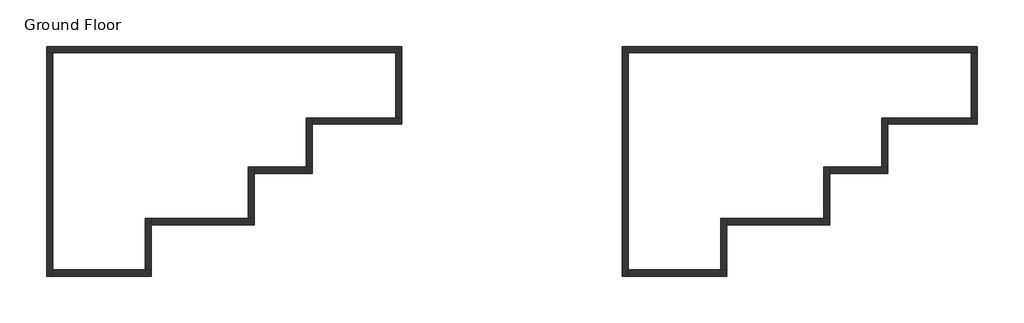
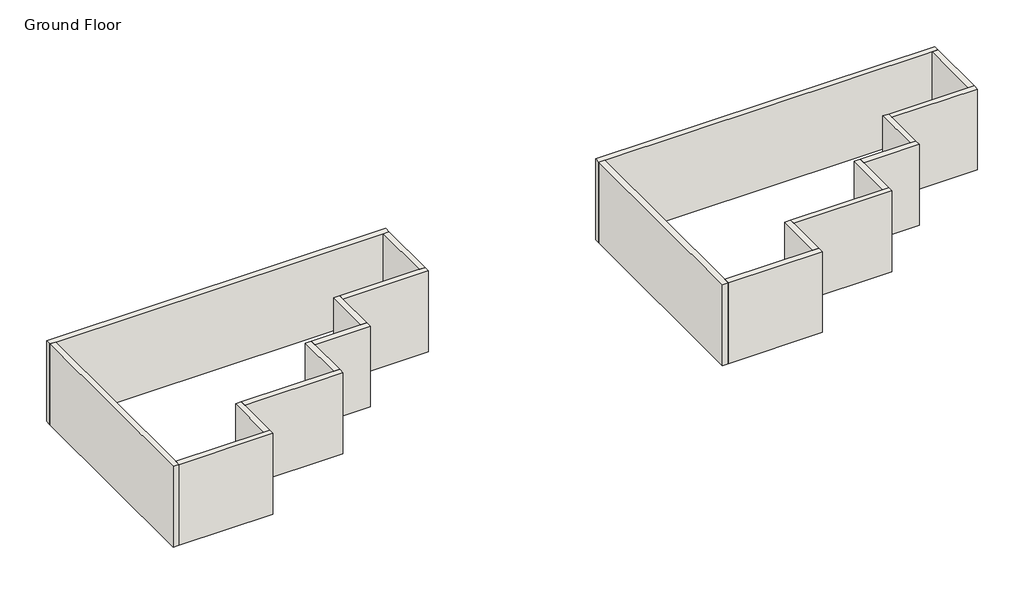
# One storey: 20 walls.
"""IFC4 building model written with IfcOpenShell, lengths in millimetres."""

from ifc_helpers import new_model, si_unit, origin, origin_with_axes, place, context, project, spatial, polyline, outline, extrude, faceted_brep, element, save

model = new_model("IFC4")

# Units and contexts
model_context = context("Model", 3, world=origin())
ifc_project = project(units=[si_unit("LENGTHUNIT", "METRE", prefix="MILLI")], contexts=[model_context])

# Site, building, storey
site = spatial("IfcSite", under=ifc_project)
building = spatial("IfcBuilding", under=site)
storey = spatial("IfcBuildingStorey", under=building, Name="Ground Floor", Elevation=0.0)

# Walls
placement = place(None, origin())
element("IfcWall", 1, ObjectType="Double brick - 270", at=placement, inside=storey, context=model_context, shape_type="Brep", body=[
    faceted_brep([(6387.1129575, 3417.6035956, 0.0), (-9482.8870425, 3417.6035956, 0.0), (-9482.8870425, 3417.6035956, 4000.0), (6387.1129575, 3417.6035956, 4000.0), (6387.1129575, 3147.6035956, 0.0), (6387.1129575, 3147.6035956, 4000.0), (6117.1129575, 3147.6035956, 4000.0), (-9212.8870425, 3147.6035956, 4000.0), (-9482.8870425, 3147.6035956, 4000.0), (-9482.8870425, 3147.6035956, 0.0), (-9212.8870425, 3147.6035956, 0.0), (6117.1129575, 3147.6035956, 0.0)], [[[0, 1, 2, 3]], [[4, 5, 6, 7, 8, 9, 10, 11]], [[1, 0, 4, 11, 10, 9]], [[3, 2, 8, 7, 6, 5]], [[2, 1, 9, 8]], [[0, 3, 5, 4]]]),
])
element("IfcWall", 2, ObjectType="Double brick - 270", at=placement, inside=storey, context=model_context, shape_type="Brep", body=[
    faceted_brep([(-9482.8870425, 3147.6035956, 0.0), (-9482.8870425, -6852.3964044, 0.0), (-9482.8870425, -6852.3964044, 4000.0), (-9482.8870425, 3147.6035956, 4000.0), (-9212.8870425, 3147.6035956, 0.0), (-9212.8870425, 3147.6035956, 4000.0), (-9212.8870425, -6582.3964044, 4000.0), (-9212.8870425, -6852.3964044, 4000.0), (-9212.8870425, -6852.3964044, 0.0), (-9212.8870425, -6582.3964044, 0.0)], [[[0, 1, 2, 3]], [[4, 5, 6, 7, 8, 9]], [[1, 0, 4, 9, 8]], [[3, 2, 7, 6, 5]], [[0, 3, 5, 4]], [[2, 1, 8, 7]]]),
])
element("IfcWall", 3, ObjectType="Double brick - 270", at=placement, inside=storey, context=model_context, shape_type="Brep", body=[
    faceted_brep([(-9212.8870425, -6852.3964044, 0.0), (-4812.8870425, -6852.3964044, 0.0), (-4812.8870425, -6852.3964044, 4000.0), (-9212.8870425, -6852.3964044, 4000.0), (-9212.8870425, -6582.3964044, 0.0), (-9212.8870425, -6582.3964044, 4000.0), (-5082.8870425, -6582.3964044, 4000.0), (-4812.8870425, -6582.3964044, 4000.0), (-4812.8870425, -6582.3964044, 0.0), (-5082.8870425, -6582.3964044, 0.0)], [[[0, 1, 2, 3]], [[4, 5, 6, 7, 8, 9]], [[1, 0, 4, 9, 8]], [[3, 2, 7, 6, 5]], [[0, 3, 5, 4]], [[2, 1, 8, 7]]]),
])
element("IfcWall", 4, ObjectType="Double brick - 270", at=placement, inside=storey, context=model_context, shape_type="Brep", body=[
    faceted_brep([(-4812.8870425, -6582.3964044, 0.0), (-4812.8870425, -4552.3964044, 0.0), (-4812.8870425, -4282.3964044, 0.0), (-4812.8870425, -4282.3964044, 4000.0), (-4812.8870425, -4552.3964044, 4000.0), (-4812.8870425, -6582.3964044, 4000.0), (-5082.8870425, -6582.3964044, 0.0), (-5082.8870425, -6582.3964044, 4000.0), (-5082.8870425, -4282.3964044, 4000.0), (-5082.8870425, -4282.3964044, 0.0)], [[[0, 1, 2, 3, 4, 5]], [[6, 7, 8, 9]], [[2, 1, 0, 6, 9]], [[5, 4, 3, 8, 7]], [[0, 5, 7, 6]], [[3, 2, 9, 8]]]),
])
element("IfcWall", 5, ObjectType="Double brick - 270", at=placement, inside=storey, context=model_context, shape_type="Brep", body=[
    faceted_brep([(-4812.8870425, -4552.3964044, 0.0), (-212.8870425, -4552.3964044, 0.0), (-212.8870425, -4552.3964044, 4000.0), (-4812.8870425, -4552.3964044, 4000.0), (-4812.8870425, -4282.3964044, 0.0), (-4812.8870425, -4282.3964044, 4000.0), (-482.8870425, -4282.3964044, 4000.0), (-212.8870425, -4282.3964044, 4000.0), (-212.8870425, -4282.3964044, 0.0), (-482.8870425, -4282.3964044, 0.0)], [[[0, 1, 2, 3]], [[4, 5, 6, 7, 8, 9]], [[1, 0, 4, 9, 8]], [[3, 2, 7, 6, 5]], [[0, 3, 5, 4]], [[2, 1, 8, 7]]]),
])
element("IfcWall", 6, ObjectType="Double brick - 270", at=placement, inside=storey, context=model_context, shape_type="Brep", body=[
    faceted_brep([(-212.8870425, -4282.3964044, 0.0), (-212.8870425, -2252.3964044, 0.0), (-212.8870425, -1982.3964044, 0.0), (-212.8870425, -1982.3964044, 4000.0), (-212.8870425, -2252.3964044, 4000.0), (-212.8870425, -4282.3964044, 4000.0), (-482.8870425, -4282.3964044, 0.0), (-482.8870425, -4282.3964044, 4000.0), (-482.8870425, -1982.3964044, 4000.0), (-482.8870425, -1982.3964044, 0.0)], [[[0, 1, 2, 3, 4, 5]], [[6, 7, 8, 9]], [[2, 1, 0, 6, 9]], [[5, 4, 3, 8, 7]], [[0, 5, 7, 6]], [[3, 2, 9, 8]]]),
])
element("IfcWall", 7, ObjectType="Double brick - 270", at=placement, inside=storey, context=model_context, shape_type="Brep", body=[
    faceted_brep([(-212.8870425, -2252.3964044, 0.0), (2387.1129575, -2252.3964044, 0.0), (2387.1129575, -2252.3964044, 4000.0), (-212.8870425, -2252.3964044, 4000.0), (-212.8870425, -1982.3964044, 0.0), (-212.8870425, -1982.3964044, 4000.0), (2117.1129575, -1982.3964044, 4000.0), (2387.1129575, -1982.3964044, 4000.0), (2387.1129575, -1982.3964044, 0.0), (2117.1129575, -1982.3964044, 0.0)], [[[0, 1, 2, 3]], [[4, 5, 6, 7, 8, 9]], [[1, 0, 4, 9, 8]], [[3, 2, 7, 6, 5]], [[0, 3, 5, 4]], [[2, 1, 8, 7]]]),
])
element("IfcWall", 8, ObjectType="Double brick - 270", at=placement, inside=storey, context=model_context, shape_type="Brep", body=[
    faceted_brep([(2387.1129575, -1982.3964044, 0.0), (2387.1129575, -52.3964044, 0.0), (2387.1129575, 217.6035956, 0.0), (2387.1129575, 217.6035956, 4000.0), (2387.1129575, -52.3964044, 4000.0), (2387.1129575, -1982.3964044, 4000.0), (2117.1129575, -1982.3964044, 0.0), (2117.1129575, -1982.3964044, 4000.0), (2117.1129575, 217.6035956, 4000.0), (2117.1129575, 217.6035956, 0.0)], [[[0, 1, 2, 3, 4, 5]], [[6, 7, 8, 9]], [[2, 1, 0, 6, 9]], [[5, 4, 3, 8, 7]], [[0, 5, 7, 6]], [[3, 2, 9, 8]]]),
])
element("IfcWall", 9, ObjectType="Double brick - 270", at=placement, inside=storey, context=model_context, shape_type="Brep", body=[
    faceted_brep([(2387.1129575, -52.3964044, 0.0), (6387.1129575, -52.3964044, 0.0), (6387.1129575, -52.3964044, 4000.0), (2387.1129575, -52.3964044, 4000.0), (2387.1129575, 217.6035956, 0.0), (2387.1129575, 217.6035956, 4000.0), (6117.1129575, 217.6035956, 4000.0), (6387.1129575, 217.6035956, 4000.0), (6387.1129575, 217.6035956, 0.0), (6117.1129575, 217.6035956, 0.0)], [[[0, 1, 2, 3]], [[4, 5, 6, 7, 8, 9]], [[1, 0, 4, 9, 8]], [[3, 2, 7, 6, 5]], [[0, 3, 5, 4]], [[2, 1, 8, 7]]]),
])
element("IfcWall", 10, ObjectType="Double brick - 270", at=placement, inside=storey, context=model_context, shape_type="SweptSolid", body=[
    extrude(outline(polyline([(6387.1129575, 3147.6035956), (6387.1129575, 217.6035956), (6117.1129575, 217.6035956), (6117.1129575, 3147.6035956), (6387.1129575, 3147.6035956)])), origin_with_axes(), (0.0, 0.0, 1.0), 4000.0),
])
element("IfcWall", 11, ObjectType="Double brick - 270", at=placement, inside=storey, context=model_context, shape_type="Brep", body=[
    faceted_brep([(32087.1129575, 3417.6035956, 0.0), (16217.1129575, 3417.6035956, 0.0), (16217.1129575, 3417.6035956, 4000.0), (32087.1129575, 3417.6035956, 4000.0), (32087.1129575, 3147.6035956, 0.0), (32087.1129575, 3147.6035956, 4000.0), (31817.1129575, 3147.6035956, 4000.0), (16487.1129575, 3147.6035956, 4000.0), (16217.1129575, 3147.6035956, 4000.0), (16217.1129575, 3147.6035956, 0.0), (16487.1129575, 3147.6035956, 0.0), (31817.1129575, 3147.6035956, 0.0)], [[[0, 1, 2, 3]], [[4, 5, 6, 7, 8, 9, 10, 11]], [[1, 0, 4, 11, 10, 9]], [[3, 2, 8, 7, 6, 5]], [[2, 1, 9, 8]], [[0, 3, 5, 4]]]),
])
element("IfcWall", 12, ObjectType="Double brick - 270", at=placement, inside=storey, context=model_context, shape_type="Brep", body=[
    faceted_brep([(16217.1129575, 3147.6035956, 0.0), (16217.1129575, -6852.3964044, 0.0), (16217.1129575, -6852.3964044, 4000.0), (16217.1129575, 3147.6035956, 4000.0), (16487.1129575, 3147.6035956, 0.0), (16487.1129575, 3147.6035956, 4000.0), (16487.1129575, -6582.3964044, 4000.0), (16487.1129575, -6852.3964044, 4000.0), (16487.1129575, -6852.3964044, 0.0), (16487.1129575, -6582.3964044, 0.0)], [[[0, 1, 2, 3]], [[4, 5, 6, 7, 8, 9]], [[1, 0, 4, 9, 8]], [[3, 2, 7, 6, 5]], [[0, 3, 5, 4]], [[2, 1, 8, 7]]]),
])
element("IfcWall", 13, ObjectType="Double brick - 270", at=placement, inside=storey, context=model_context, shape_type="Brep", body=[
    faceted_brep([(16487.1129575, -6852.3964044, 0.0), (20887.1129575, -6852.3964044, 0.0), (20887.1129575, -6852.3964044, 4000.0), (16487.1129575, -6852.3964044, 4000.0), (16487.1129575, -6582.3964044, 0.0), (16487.1129575, -6582.3964044, 4000.0), (20617.1129575, -6582.3964044, 4000.0), (20887.1129575, -6582.3964044, 4000.0), (20887.1129575, -6582.3964044, 0.0), (20617.1129575, -6582.3964044, 0.0)], [[[0, 1, 2, 3]], [[4, 5, 6, 7, 8, 9]], [[1, 0, 4, 9, 8]], [[3, 2, 7, 6, 5]], [[0, 3, 5, 4]], [[2, 1, 8, 7]]]),
])
element("IfcWall", 14, ObjectType="Double brick - 270", at=placement, inside=storey, context=model_context, shape_type="Brep", body=[
    faceted_brep([(20887.1129575, -6582.3964044, 0.0), (20887.1129575, -4552.3964044, 0.0), (20887.1129575, -4282.3964044, 0.0), (20887.1129575, -4282.3964044, 4000.0), (20887.1129575, -4552.3964044, 4000.0), (20887.1129575, -6582.3964044, 4000.0), (20617.1129575, -6582.3964044, 0.0), (20617.1129575, -6582.3964044, 4000.0), (20617.1129575, -4282.3964044, 4000.0), (20617.1129575, -4282.3964044, 0.0)], [[[0, 1, 2, 3, 4, 5]], [[6, 7, 8, 9]], [[2, 1, 0, 6, 9]], [[5, 4, 3, 8, 7]], [[0, 5, 7, 6]], [[3, 2, 9, 8]]]),
])
element("IfcWall", 15, ObjectType="Double brick - 270", at=placement, inside=storey, context=model_context, shape_type="Brep", body=[
    faceted_brep([(20887.1129575, -4552.3964044, 0.0), (25487.1129575, -4552.3964044, 0.0), (25487.1129575, -4552.3964044, 4000.0), (20887.1129575, -4552.3964044, 4000.0), (20887.1129575, -4282.3964044, 0.0), (20887.1129575, -4282.3964044, 4000.0), (25217.1129575, -4282.3964044, 4000.0), (25487.1129575, -4282.3964044, 4000.0), (25487.1129575, -4282.3964044, 0.0), (25217.1129575, -4282.3964044, 0.0)], [[[0, 1, 2, 3]], [[4, 5, 6, 7, 8, 9]], [[1, 0, 4, 9, 8]], [[3, 2, 7, 6, 5]], [[0, 3, 5, 4]], [[2, 1, 8, 7]]]),
])
element("IfcWall", 16, ObjectType="Double brick - 270", at=placement, inside=storey, context=model_context, shape_type="Brep", body=[
    faceted_brep([(25487.1129575, -4282.3964044, 0.0), (25487.1129575, -2252.3964044, 0.0), (25487.1129575, -1982.3964044, 0.0), (25487.1129575, -1982.3964044, 4000.0), (25487.1129575, -2252.3964044, 4000.0), (25487.1129575, -4282.3964044, 4000.0), (25217.1129575, -4282.3964044, 0.0), (25217.1129575, -4282.3964044, 4000.0), (25217.1129575, -1982.3964044, 4000.0), (25217.1129575, -1982.3964044, 0.0)], [[[0, 1, 2, 3, 4, 5]], [[6, 7, 8, 9]], [[2, 1, 0, 6, 9]], [[5, 4, 3, 8, 7]], [[0, 5, 7, 6]], [[3, 2, 9, 8]]]),
])
element("IfcWall", 17, ObjectType="Double brick - 270", at=placement, inside=storey, context=model_context, shape_type="Brep", body=[
    faceted_brep([(25487.1129575, -2252.3964044, 0.0), (28087.1129575, -2252.3964044, 0.0), (28087.1129575, -2252.3964044, 4000.0), (25487.1129575, -2252.3964044, 4000.0), (25487.1129575, -1982.3964044, 0.0), (25487.1129575, -1982.3964044, 4000.0), (27817.1129575, -1982.3964044, 4000.0), (28087.1129575, -1982.3964044, 4000.0), (28087.1129575, -1982.3964044, 0.0), (27817.1129575, -1982.3964044, 0.0)], [[[0, 1, 2, 3]], [[4, 5, 6, 7, 8, 9]], [[1, 0, 4, 9, 8]], [[3, 2, 7, 6, 5]], [[0, 3, 5, 4]], [[2, 1, 8, 7]]]),
])
element("IfcWall", 18, ObjectType="Double brick - 270", at=placement, inside=storey, context=model_context, shape_type="Brep", body=[
    faceted_brep([(28087.1129575, -1982.3964044, 0.0), (28087.1129575, -52.3964044, 0.0), (28087.1129575, 217.6035956, 0.0), (28087.1129575, 217.6035956, 4000.0), (28087.1129575, -52.3964044, 4000.0), (28087.1129575, -1982.3964044, 4000.0), (27817.1129575, -1982.3964044, 0.0), (27817.1129575, -1982.3964044, 4000.0), (27817.1129575, 217.6035956, 4000.0), (27817.1129575, 217.6035956, 0.0)], [[[0, 1, 2, 3, 4, 5]], [[6, 7, 8, 9]], [[2, 1, 0, 6, 9]], [[5, 4, 3, 8, 7]], [[0, 5, 7, 6]], [[3, 2, 9, 8]]]),
])
element("IfcWall", 19, ObjectType="Double brick - 270", at=placement, inside=storey, context=model_context, shape_type="Brep", body=[
    faceted_brep([(28087.1129575, -52.3964044, 0.0), (32087.1129575, -52.3964044, 0.0), (32087.1129575, -52.3964044, 4000.0), (28087.1129575, -52.3964044, 4000.0), (28087.1129575, 217.6035956, 0.0), (28087.1129575, 217.6035956, 4000.0), (31817.1129575, 217.6035956, 4000.0), (32087.1129575, 217.6035956, 4000.0), (32087.1129575, 217.6035956, 0.0), (31817.1129575, 217.6035956, 0.0)], [[[0, 1, 2, 3]], [[4, 5, 6, 7, 8, 9]], [[1, 0, 4, 9, 8]], [[3, 2, 7, 6, 5]], [[0, 3, 5, 4]], [[2, 1, 8, 7]]]),
])
element("IfcWall", 20, ObjectType="Double brick - 270", at=placement, inside=storey, context=model_context, shape_type="SweptSolid", body=[
    extrude(outline(polyline([(32087.1129575, 3147.6035956), (32087.1129575, 217.6035956), (31817.1129575, 217.6035956), (31817.1129575, 3147.6035956), (32087.1129575, 3147.6035956)])), origin_with_axes(), (0.0, 0.0, 1.0), 4000.0),
])

save(model, "model.ifc")
